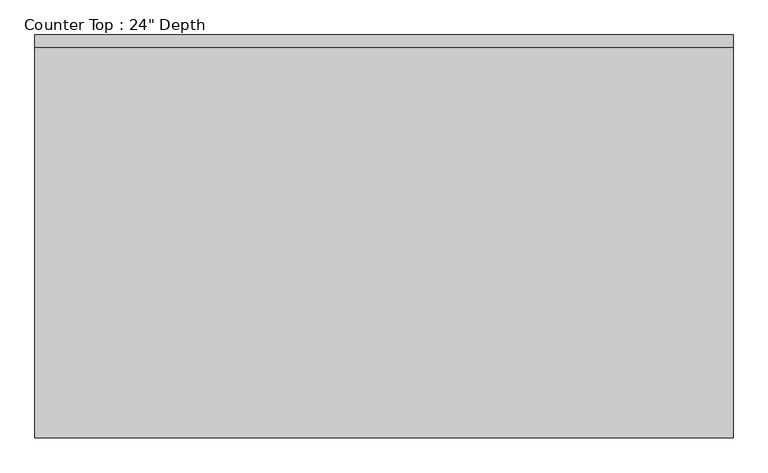
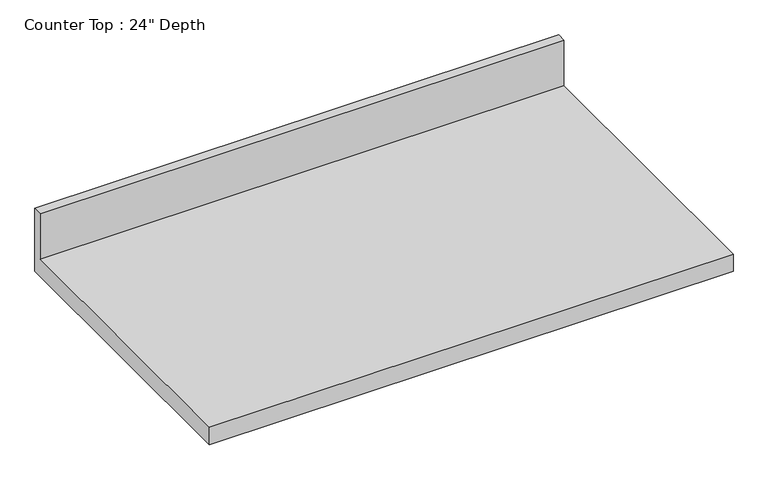
"""IFC4 building model written with IfcOpenShell, lengths in millimetres: furniture geometry."""

from ifc_helpers import new_model, si_unit, frame, origin, place, context, project, spatial, polyline, outline, extrude, source, transform, mapped, element, save


def furniture_80aaee3a(model_context):
    return source(origin(), model_context, "Body", "SweptSolid", [
        extrude(outline(polyline([(0.0, 1016.0), (0.0, 876.3), (-635.0, 876.3), (-635.0, 914.4), (-19.05, 914.4), (-19.05, 1016.0), (0.0, 1016.0)])), frame((-1200.4622951, 0.0, 0.0), z_axis=(1.0, 0.0, 0.0), x_axis=(0.0, 1.0, 0.0)), (0.0, 0.0, 1.0), 1099.9702008),
    ])


if __name__ == "__main__":
    model = new_model("IFC4")
    model_context = context("Model", 3, world=origin())
    ifc_project = project(units=[si_unit("LENGTHUNIT", "METRE", prefix="MILLI")], contexts=[model_context])
    site = spatial("IfcSite", under=ifc_project)
    building = spatial("IfcBuilding", under=site)
    placement = place(None, origin())
    furniture_shape = furniture_80aaee3a(model_context)
    element("IfcFurniture", 1, ObjectType="Counter Top : 24\" Depth", at=placement, inside=building, context=model_context, shape_type="MappedRepresentation", body=[
        mapped(furniture_shape, transform((0.0, 0.0, 0.0), x_axis=(1.0, 0.0, 0.0), y_axis=(0.0, 1.0, 0.0), z_axis=(0.0, 0.0, 1.0))),
    ])
    save(model, "model.ifc")
